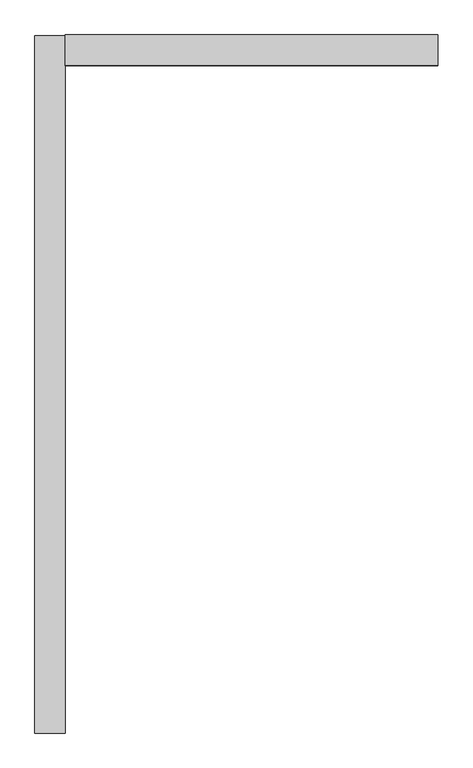
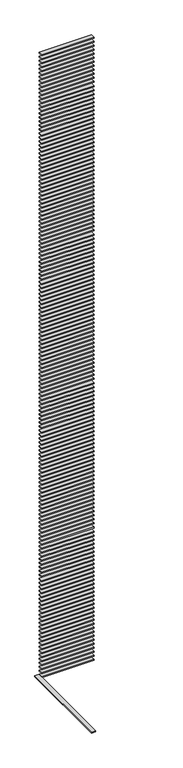
"""IFC4 building model written with IfcOpenShell, lengths in millimetres: proxy geometry."""

import ifcopenshell
import ifcopenshell.guid

model = None  # the IFC model being written
_history = None  # IfcOwnerHistory: only IFC2X3 demands one
_inside = {}  # id of a spatial element -> (the spatial element, [elements in it])
_under = {}  # id of a project, library or spatial element -> (it, [spatial elements below it])
_declared = {}  # id of a project -> (the project, [libraries it declares])
_typed = {}  # id of a type object -> (the type object, [elements of that type])
_made_of = {}  # id of a material, layer set ... -> (it, [elements and type objects made of it])


def new_model(schema):
    """Start an empty IFC model of exactly this schema.

    Asked for "IFC4X3", IfcOpenShell would pick the latest addendum, in which some entities
    have other attributes; the version numbers below select the first issue.
    IFC2X3 requires an IfcOwnerHistory on every rooted entity: one is made here for all.
    """
    global model, _history
    if schema == "IFC4X3":
        model = ifcopenshell.file(schema_version=(4, 3, 0, 0))
    else:
        model = ifcopenshell.file(schema=schema)
    _inside.clear()
    _under.clear()
    _declared.clear()
    _typed.clear()
    _made_of.clear()
    _history = None
    if model.schema == "IFC2X3":
        org = make("IfcOrganization", Name="unknown")
        user = make(
            "IfcPersonAndOrganization",
            ThePerson=make("IfcPerson", FamilyName="unknown"),
            TheOrganization=org,
        )
        app = make(
            "IfcApplication",
            ApplicationDeveloper=org,
            Version="unknown",
            ApplicationFullName="unknown",
            ApplicationIdentifier="unknown",
        )
        _history = make(
            "IfcOwnerHistory",
            OwningUser=user,
            OwningApplication=app,
            ChangeAction="ADDED",
            CreationDate=0,
        )
    return model


def make(cls, **values):
    """One entity of the class cls with the attributes given. An attribute that is None is left unset."""
    return model.create_entity(
        cls, **{name: value for name, value in values.items() if value is not None}
    )


def rooted(cls, **values):
    """An entity with a GlobalId (a new one), such as an element, a storey or a relation."""
    return make(cls, GlobalId=ifcopenshell.guid.new(), OwnerHistory=_history, **values)


def si_unit(unit_type, name, prefix=None):
    """IfcSIUnit, for example si_unit("LENGTHUNIT", "METRE", prefix="MILLI")."""
    return make("IfcSIUnit", UnitType=unit_type, Prefix=prefix, Name=name)


def assignment(units):
    """IfcUnitAssignment: the units of a project."""
    return None if units is None else make("IfcUnitAssignment", Units=units)


def point(xyz):
    """IfcCartesianPoint."""
    return None if xyz is None else make("IfcCartesianPoint", Coordinates=xyz)


def direction(xyz):
    """IfcDirection."""
    return None if xyz is None else make("IfcDirection", DirectionRatios=xyz)


def frame(location, z_axis=None, x_axis=None):
    """IfcAxis2Placement3D, a coordinate frame: its origin and axes. An axis left out is left unset."""
    return make(
        "IfcAxis2Placement3D",
        Location=point(location),
        Axis=direction(z_axis),
        RefDirection=direction(x_axis),
    )


def origin():
    """The frame at (0, 0, 0) with its axes left unset."""
    return frame((0.0, 0.0, 0.0))


def place(relative_to, where):
    """IfcLocalPlacement: puts the frame where relative to a parent placement (None: the world)."""
    return make(
        "IfcLocalPlacement", PlacementRelTo=relative_to, RelativePlacement=where
    )


def context(
    kind, dimensions, precision=None, world=None, true_north=None, identifier=None
):
    """IfcGeometricRepresentationContext, for example the 3D "Model" context."""
    return make(
        "IfcGeometricRepresentationContext",
        ContextIdentifier=identifier,
        ContextType=kind,
        CoordinateSpaceDimension=dimensions,
        Precision=precision,
        WorldCoordinateSystem=world,
        TrueNorth=true_north,
    )


def project(units=None, contexts=None):
    """IfcProject with its units and contexts."""
    return rooted(
        "IfcProject",
        Name="project",
        RepresentationContexts=contexts,
        UnitsInContext=assignment(units),
    )


def spatial(cls, under=None, at=None, **own):
    """A site, building, storey or space (cls), placed at a placement, below another one or the project."""
    s = rooted(cls, ObjectPlacement=at, **own)
    if under is not None:
        _under.setdefault(under.id(), (under, []))[1].append(s)
    return s


def polyline(points):
    """IfcPolyline through the points."""
    return make("IfcPolyline", Points=[point(p) for p in points])


def outline(outer, holes=None, kind="AREA"):
    """IfcArbitraryClosedProfileDef: a profile drawn as a closed curve; with holes, ...WithVoids."""
    if holes is None:
        return make("IfcArbitraryClosedProfileDef", ProfileType=kind, OuterCurve=outer)
    return make(
        "IfcArbitraryProfileDefWithVoids",
        ProfileType=kind,
        OuterCurve=outer,
        InnerCurves=holes,
    )


def extrude(swept, where, along, depth):
    """IfcExtrudedAreaSolid: the profile swept, set in the frame where, extruded along a direction by depth."""
    return make(
        "IfcExtrudedAreaSolid",
        SweptArea=swept,
        Position=where,
        ExtrudedDirection=direction(along),
        Depth=depth,
    )


def shape(context_of_items, identifier, shape_type, items):
    """IfcShapeRepresentation: the items that make up one representation, for example the "Body"."""
    return make(
        "IfcShapeRepresentation",
        ContextOfItems=context_of_items,
        RepresentationIdentifier=identifier,
        RepresentationType=shape_type,
        Items=items,
    )


def source(mapping_origin, context_of_items, identifier, shape_type, items):
    """IfcRepresentationMap: a shape defined once, which mapped items show again and again."""
    return make(
        "IfcRepresentationMap",
        MappingOrigin=mapping_origin,
        MappedRepresentation=shape(context_of_items, identifier, shape_type, items),
    )


def transform(
    local_origin,
    x_axis=None,
    y_axis=None,
    z_axis=None,
    scale=None,
    scale2=None,
    scale3=None,
    uniform=True,
):
    """IfcCartesianTransformationOperator3D, or its non-uniform kind. x_axis, y_axis, z_axis: its Axis1, 2, 3."""
    if uniform:
        return make(
            "IfcCartesianTransformationOperator3D",
            Axis1=direction(x_axis),
            Axis2=direction(y_axis),
            LocalOrigin=point(local_origin),
            Scale=scale,
            Axis3=direction(z_axis),
        )
    return make(
        "IfcCartesianTransformationOperator3DnonUniform",
        Axis1=direction(x_axis),
        Axis2=direction(y_axis),
        LocalOrigin=point(local_origin),
        Scale=scale,
        Axis3=direction(z_axis),
        Scale2=scale2,
        Scale3=scale3,
    )


def mapped(mapping_source, mapping_target):
    """IfcMappedItem: shows the shape of a source again, moved by a transform."""
    return make(
        "IfcMappedItem", MappingSource=mapping_source, MappingTarget=mapping_target
    )


def made_of(thing, what):
    """Note that an element or type object is made of a material, layer set ...; save() writes the relation."""
    if what is not None:
        _made_of.setdefault(what.id(), (what, []))[1].append(thing)
    return thing


def element(
    cls,
    number,
    at=None,
    inside=None,
    cuts=None,
    type_object=None,
    material=None,
    context=None,
    identifier="Body",
    shape_type=None,
    held_by="IfcProductDefinitionShape",
    body=None,
    shapes=None,
    **own,
):
    """One element of the class cls, such as IfcWall. Its Tag is "e" and its number.

    at: its placement. inside: the storey or other place that contains it. cuts: it is an
    opening in that element (IfcRelVoidsElement). A single representation is given by context,
    identifier, shape_type and body (its items); several are given by shapes. held_by: the class
    of the entity that holds the representations. save() writes the other relations.
    """
    e = rooted(cls, Tag="e%d" % number, ObjectPlacement=at, **own)
    if body is not None:
        shapes = [shape(context, identifier, shape_type, body)]
    if shapes is not None:
        e.Representation = make(held_by, Representations=shapes)
    if inside is not None:
        _inside.setdefault(inside.id(), (inside, []))[1].append(e)
    if cuts is not None:
        rooted(
            "IfcRelVoidsElement", RelatingBuildingElement=cuts, RelatedOpeningElement=e
        )
    if type_object is not None:
        _typed.setdefault(type_object.id(), (type_object, []))[1].append(e)
    return made_of(e, material)


def aggregate(whole, parts):
    """IfcRelAggregates: a whole, such as a stair, and the parts it consists of."""
    return rooted("IfcRelAggregates", RelatingObject=whole, RelatedObjects=parts)


def save(model, path):
    """Write the relations noted so far, then the file.

    IfcRelAggregates (storeys below a building ...), IfcRelContainedInSpatialStructure (elements
    in a storey), IfcRelDefinesByType, IfcRelAssociatesMaterial and IfcRelDeclares: one each for
    every whole, place, type object, material and project.
    """
    for whole, parts in _under.values():
        aggregate(whole, parts)
    for where, things in _inside.values():
        rooted(
            "IfcRelContainedInSpatialStructure",
            RelatedElements=things,
            RelatingStructure=where,
        )
    for kind, things in _typed.values():
        rooted("IfcRelDefinesByType", RelatedObjects=things, RelatingType=kind)
    for what, things in _made_of.values():
        rooted("IfcRelAssociatesMaterial", RelatedObjects=things, RelatingMaterial=what)
    for by, libraries in _declared.values():
        rooted("IfcRelDeclares", RelatingContext=by, RelatedDefinitions=libraries)
    model.write(path)


def generic_models_59a60654(model_context):
    return source(origin(), model_context, "Body", "SweptSolid", [
        extrude(outline(polyline([(-100.0, -4625.0), (-300.0, -4625.0), (-300.0, 0.0), (-100.0, 0.0), (-100.0, -4625.0)])), frame((0.0, 0.0, -25.0), z_axis=(0.0, 0.0, 1.0), x_axis=(1.0, 0.0, 0.0)), (0.0, 0.0, 1.0), 50.0),
        extrude(outline(polyline([(-100.0, -200.0), (-100.0, 0.0), (2375.0, 0.0), (2375.0, -200.0), (-100.0, -200.0)])), frame((0.0, 0.0, 30975.0), z_axis=(0.0, 0.0, 1.0), x_axis=(1.0, 0.0, 0.0)), (0.0, 0.0, 1.0), 50.0),
        extrude(outline(polyline([(-100.0, -200.0), (-100.0, 0.0), (2375.0, 0.0), (2375.0, -200.0), (-100.0, -200.0)])), frame((0.0, 0.0, 30775.0), z_axis=(0.0, 0.0, 1.0), x_axis=(1.0, 0.0, 0.0)), (0.0, 0.0, 1.0), 50.0),
        extrude(outline(polyline([(-100.0, -200.0), (-100.0, 0.0), (2375.0, 0.0), (2375.0, -200.0), (-100.0, -200.0)])), frame((0.0, 0.0, 30575.0), z_axis=(0.0, 0.0, 1.0), x_axis=(1.0, 0.0, 0.0)), (0.0, 0.0, 1.0), 50.0),
        extrude(outline(polyline([(-100.0, -200.0), (-100.0, 0.0), (2375.0, 0.0), (2375.0, -200.0), (-100.0, -200.0)])), frame((0.0, 0.0, 30375.0), z_axis=(0.0, 0.0, 1.0), x_axis=(1.0, 0.0, 0.0)), (0.0, 0.0, 1.0), 50.0),
        extrude(outline(polyline([(-100.0, -200.0), (-100.0, 0.0), (2375.0, 0.0), (2375.0, -200.0), (-100.0, -200.0)])), frame((0.0, 0.0, 30175.0), z_axis=(0.0, 0.0, 1.0), x_axis=(1.0, 0.0, 0.0)), (0.0, 0.0, 1.0), 50.0),
        extrude(outline(polyline([(-100.0, -200.0), (-100.0, 0.0), (2375.0, 0.0), (2375.0, -200.0), (-100.0, -200.0)])), frame((0.0, 0.0, 29975.0), z_axis=(0.0, 0.0, 1.0), x_axis=(1.0, 0.0, 0.0)), (0.0, 0.0, 1.0), 50.0),
        extrude(outline(polyline([(-100.0, -200.0), (-100.0, 0.0), (2375.0, 0.0), (2375.0, -200.0), (-100.0, -200.0)])), frame((0.0, 0.0, 29775.0), z_axis=(0.0, 0.0, 1.0), x_axis=(1.0, 0.0, 0.0)), (0.0, 0.0, 1.0), 50.0),
        extrude(outline(polyline([(-100.0, -200.0), (-100.0, 0.0), (2375.0, 0.0), (2375.0, -200.0), (-100.0, -200.0)])), frame((0.0, 0.0, 29575.0), z_axis=(0.0, 0.0, 1.0), x_axis=(1.0, 0.0, 0.0)), (0.0, 0.0, 1.0), 50.0),
        extrude(outline(polyline([(-100.0, -200.0), (-100.0, 0.0), (2375.0, 0.0), (2375.0, -200.0), (-100.0, -200.0)])), frame((0.0, 0.0, 29375.0), z_axis=(0.0, 0.0, 1.0), x_axis=(1.0, 0.0, 0.0)), (0.0, 0.0, 1.0), 50.0),
        extrude(outline(polyline([(-100.0, -200.0), (-100.0, 0.0), (2375.0, 0.0), (2375.0, -200.0), (-100.0, -200.0)])), frame((0.0, 0.0, 29175.0), z_axis=(0.0, 0.0, 1.0), x_axis=(1.0, 0.0, 0.0)), (0.0, 0.0, 1.0), 50.0),
        extrude(outline(polyline([(-100.0, -200.0), (-100.0, 0.0), (2375.0, 0.0), (2375.0, -200.0), (-100.0, -200.0)])), frame((0.0, 0.0, 28975.0), z_axis=(0.0, 0.0, 1.0), x_axis=(1.0, 0.0, 0.0)), (0.0, 0.0, 1.0), 50.0),
        extrude(outline(polyline([(-100.0, -200.0), (-100.0, 0.0), (2375.0, 0.0), (2375.0, -200.0), (-100.0, -200.0)])), frame((0.0, 0.0, 28775.0), z_axis=(0.0, 0.0, 1.0), x_axis=(1.0, 0.0, 0.0)), (0.0, 0.0, 1.0), 50.0),
        extrude(outline(polyline([(-100.0, -200.0), (-100.0, 0.0), (2375.0, 0.0), (2375.0, -200.0), (-100.0, -200.0)])), frame((0.0, 0.0, 28575.0), z_axis=(0.0, 0.0, 1.0), x_axis=(1.0, 0.0, 0.0)), (0.0, 0.0, 1.0), 50.0),
        extrude(outline(polyline([(-100.0, -200.0), (-100.0, 0.0), (2375.0, 0.0), (2375.0, -200.0), (-100.0, -200.0)])), frame((0.0, 0.0, 28375.0), z_axis=(0.0, 0.0, 1.0), x_axis=(1.0, 0.0, 0.0)), (0.0, 0.0, 1.0), 50.0),
        extrude(outline(polyline([(-100.0, -200.0), (-100.0, 0.0), (2375.0, 0.0), (2375.0, -200.0), (-100.0, -200.0)])), frame((0.0, 0.0, 28175.0), z_axis=(0.0, 0.0, 1.0), x_axis=(1.0, 0.0, 0.0)), (0.0, 0.0, 1.0), 50.0),
        extrude(outline(polyline([(-100.0, -200.0), (-100.0, 0.0), (2375.0, 0.0), (2375.0, -200.0), (-100.0, -200.0)])), frame((0.0, 0.0, 27975.0), z_axis=(0.0, 0.0, 1.0), x_axis=(1.0, 0.0, 0.0)), (0.0, 0.0, 1.0), 50.0),
        extrude(outline(polyline([(-100.0, -200.0), (-100.0, 0.0), (2375.0, 0.0), (2375.0, -200.0), (-100.0, -200.0)])), frame((0.0, 0.0, 27775.0), z_axis=(0.0, 0.0, 1.0), x_axis=(1.0, 0.0, 0.0)), (0.0, 0.0, 1.0), 50.0),
        extrude(outline(polyline([(-100.0, -200.0), (-100.0, 0.0), (2375.0, 0.0), (2375.0, -200.0), (-100.0, -200.0)])), frame((0.0, 0.0, 27575.0), z_axis=(0.0, 0.0, 1.0), x_axis=(1.0, 0.0, 0.0)), (0.0, 0.0, 1.0), 50.0),
        extrude(outline(polyline([(-100.0, -200.0), (-100.0, 0.0), (2375.0, 0.0), (2375.0, -200.0), (-100.0, -200.0)])), frame((0.0, 0.0, 27375.0), z_axis=(0.0, 0.0, 1.0), x_axis=(1.0, 0.0, 0.0)), (0.0, 0.0, 1.0), 50.0),
        extrude(outline(polyline([(-100.0, -200.0), (-100.0, 0.0), (2375.0, 0.0), (2375.0, -200.0), (-100.0, -200.0)])), frame((0.0, 0.0, 27175.0), z_axis=(0.0, 0.0, 1.0), x_axis=(1.0, 0.0, 0.0)), (0.0, 0.0, 1.0), 50.0),
        extrude(outline(polyline([(-100.0, -200.0), (-100.0, 0.0), (2375.0, 0.0), (2375.0, -200.0), (-100.0, -200.0)])), frame((0.0, 0.0, 26975.0), z_axis=(0.0, 0.0, 1.0), x_axis=(1.0, 0.0, 0.0)), (0.0, 0.0, 1.0), 50.0),
        extrude(outline(polyline([(-100.0, -200.0), (-100.0, 0.0), (2375.0, 0.0), (2375.0, -200.0), (-100.0, -200.0)])), frame((0.0, 0.0, 26775.0), z_axis=(0.0, 0.0, 1.0), x_axis=(1.0, 0.0, 0.0)), (0.0, 0.0, 1.0), 50.0),
        extrude(outline(polyline([(-100.0, -200.0), (-100.0, 0.0), (2375.0, 0.0), (2375.0, -200.0), (-100.0, -200.0)])), frame((0.0, 0.0, 26575.0), z_axis=(0.0, 0.0, 1.0), x_axis=(1.0, 0.0, 0.0)), (0.0, 0.0, 1.0), 50.0),
        extrude(outline(polyline([(-100.0, -200.0), (-100.0, 0.0), (2375.0, 0.0), (2375.0, -200.0), (-100.0, -200.0)])), frame((0.0, 0.0, 26375.0), z_axis=(0.0, 0.0, 1.0), x_axis=(1.0, 0.0, 0.0)), (0.0, 0.0, 1.0), 50.0),
        extrude(outline(polyline([(-100.0, -200.0), (-100.0, 0.0), (2375.0, 0.0), (2375.0, -200.0), (-100.0, -200.0)])), frame((0.0, 0.0, 26175.0), z_axis=(0.0, 0.0, 1.0), x_axis=(1.0, 0.0, 0.0)), (0.0, 0.0, 1.0), 50.0),
        extrude(outline(polyline([(-100.0, -200.0), (-100.0, 0.0), (2375.0, 0.0), (2375.0, -200.0), (-100.0, -200.0)])), frame((0.0, 0.0, 25975.0), z_axis=(0.0, 0.0, 1.0), x_axis=(1.0, 0.0, 0.0)), (0.0, 0.0, 1.0), 50.0),
        extrude(outline(polyline([(-100.0, -200.0), (-100.0, 0.0), (2375.0, 0.0), (2375.0, -200.0), (-100.0, -200.0)])), frame((0.0, 0.0, 25775.0), z_axis=(0.0, 0.0, 1.0), x_axis=(1.0, 0.0, 0.0)), (0.0, 0.0, 1.0), 50.0),
        extrude(outline(polyline([(-100.0, -200.0), (-100.0, 0.0), (2375.0, 0.0), (2375.0, -200.0), (-100.0, -200.0)])), frame((0.0, 0.0, 25575.0), z_axis=(0.0, 0.0, 1.0), x_axis=(1.0, 0.0, 0.0)), (0.0, 0.0, 1.0), 50.0),
        extrude(outline(polyline([(-100.0, -200.0), (-100.0, 0.0), (2375.0, 0.0), (2375.0, -200.0), (-100.0, -200.0)])), frame((0.0, 0.0, 25375.0), z_axis=(0.0, 0.0, 1.0), x_axis=(1.0, 0.0, 0.0)), (0.0, 0.0, 1.0), 50.0),
        extrude(outline(polyline([(-100.0, -200.0), (-100.0, 0.0), (2375.0, 0.0), (2375.0, -200.0), (-100.0, -200.0)])), frame((0.0, 0.0, 25175.0), z_axis=(0.0, 0.0, 1.0), x_axis=(1.0, 0.0, 0.0)), (0.0, 0.0, 1.0), 50.0),
        extrude(outline(polyline([(-100.0, -200.0), (-100.0, 0.0), (2375.0, 0.0), (2375.0, -200.0), (-100.0, -200.0)])), frame((0.0, 0.0, 24975.0), z_axis=(0.0, 0.0, 1.0), x_axis=(1.0, 0.0, 0.0)), (0.0, 0.0, 1.0), 50.0),
        extrude(outline(polyline([(-100.0, -200.0), (-100.0, 0.0), (2375.0, 0.0), (2375.0, -200.0), (-100.0, -200.0)])), frame((0.0, 0.0, 24775.0), z_axis=(0.0, 0.0, 1.0), x_axis=(1.0, 0.0, 0.0)), (0.0, 0.0, 1.0), 50.0),
        extrude(outline(polyline([(-100.0, -200.0), (-100.0, 0.0), (2375.0, 0.0), (2375.0, -200.0), (-100.0, -200.0)])), frame((0.0, 0.0, 24575.0), z_axis=(0.0, 0.0, 1.0), x_axis=(1.0, 0.0, 0.0)), (0.0, 0.0, 1.0), 50.0),
        extrude(outline(polyline([(-100.0, -200.0), (-100.0, 0.0), (2375.0, 0.0), (2375.0, -200.0), (-100.0, -200.0)])), frame((0.0, 0.0, 24375.0), z_axis=(0.0, 0.0, 1.0), x_axis=(1.0, 0.0, 0.0)), (0.0, 0.0, 1.0), 50.0),
        extrude(outline(polyline([(-100.0, -200.0), (-100.0, 0.0), (2375.0, 0.0), (2375.0, -200.0), (-100.0, -200.0)])), frame((0.0, 0.0, 24175.0), z_axis=(0.0, 0.0, 1.0), x_axis=(1.0, 0.0, 0.0)), (0.0, 0.0, 1.0), 50.0),
        extrude(outline(polyline([(-100.0, -200.0), (-100.0, 0.0), (2375.0, 0.0), (2375.0, -200.0), (-100.0, -200.0)])), frame((0.0, 0.0, 23975.0), z_axis=(0.0, 0.0, 1.0), x_axis=(1.0, 0.0, 0.0)), (0.0, 0.0, 1.0), 50.0),
        extrude(outline(polyline([(-100.0, -200.0), (-100.0, 0.0), (2375.0, 0.0), (2375.0, -200.0), (-100.0, -200.0)])), frame((0.0, 0.0, 23775.0), z_axis=(0.0, 0.0, 1.0), x_axis=(1.0, 0.0, 0.0)), (0.0, 0.0, 1.0), 50.0),
        extrude(outline(polyline([(-100.0, -200.0), (-100.0, 0.0), (2375.0, 0.0), (2375.0, -200.0), (-100.0, -200.0)])), frame((0.0, 0.0, 23575.0), z_axis=(0.0, 0.0, 1.0), x_axis=(1.0, 0.0, 0.0)), (0.0, 0.0, 1.0), 50.0),
        extrude(outline(polyline([(-100.0, -200.0), (-100.0, 0.0), (2375.0, 0.0), (2375.0, -200.0), (-100.0, -200.0)])), frame((0.0, 0.0, 23375.0), z_axis=(0.0, 0.0, 1.0), x_axis=(1.0, 0.0, 0.0)), (0.0, 0.0, 1.0), 50.0),
        extrude(outline(polyline([(-100.0, -200.0), (-100.0, 0.0), (2375.0, 0.0), (2375.0, -200.0), (-100.0, -200.0)])), frame((0.0, 0.0, 23175.0), z_axis=(0.0, 0.0, 1.0), x_axis=(1.0, 0.0, 0.0)), (0.0, 0.0, 1.0), 50.0),
        extrude(outline(polyline([(-100.0, -200.0), (-100.0, 0.0), (2375.0, 0.0), (2375.0, -200.0), (-100.0, -200.0)])), frame((0.0, 0.0, 22975.0), z_axis=(0.0, 0.0, 1.0), x_axis=(1.0, 0.0, 0.0)), (0.0, 0.0, 1.0), 50.0),
        extrude(outline(polyline([(-100.0, -200.0), (-100.0, 0.0), (2375.0, 0.0), (2375.0, -200.0), (-100.0, -200.0)])), frame((0.0, 0.0, 22775.0), z_axis=(0.0, 0.0, 1.0), x_axis=(1.0, 0.0, 0.0)), (0.0, 0.0, 1.0), 50.0),
        extrude(outline(polyline([(-100.0, -200.0), (-100.0, 0.0), (2375.0, 0.0), (2375.0, -200.0), (-100.0, -200.0)])), frame((0.0, 0.0, 22575.0), z_axis=(0.0, 0.0, 1.0), x_axis=(1.0, 0.0, 0.0)), (0.0, 0.0, 1.0), 50.0),
        extrude(outline(polyline([(-100.0, -200.0), (-100.0, 0.0), (2375.0, 0.0), (2375.0, -200.0), (-100.0, -200.0)])), frame((0.0, 0.0, 22375.0), z_axis=(0.0, 0.0, 1.0), x_axis=(1.0, 0.0, 0.0)), (0.0, 0.0, 1.0), 50.0),
        extrude(outline(polyline([(-100.0, -200.0), (-100.0, 0.0), (2375.0, 0.0), (2375.0, -200.0), (-100.0, -200.0)])), frame((0.0, 0.0, 22175.0), z_axis=(0.0, 0.0, 1.0), x_axis=(1.0, 0.0, 0.0)), (0.0, 0.0, 1.0), 50.0),
        extrude(outline(polyline([(-100.0, -200.0), (-100.0, 0.0), (2375.0, 0.0), (2375.0, -200.0), (-100.0, -200.0)])), frame((0.0, 0.0, 21975.0), z_axis=(0.0, 0.0, 1.0), x_axis=(1.0, 0.0, 0.0)), (0.0, 0.0, 1.0), 50.0),
        extrude(outline(polyline([(-100.0, -200.0), (-100.0, 0.0), (2375.0, 0.0), (2375.0, -200.0), (-100.0, -200.0)])), frame((0.0, 0.0, 21775.0), z_axis=(0.0, 0.0, 1.0), x_axis=(1.0, 0.0, 0.0)), (0.0, 0.0, 1.0), 50.0),
        extrude(outline(polyline([(-100.0, -200.0), (-100.0, 0.0), (2375.0, 0.0), (2375.0, -200.0), (-100.0, -200.0)])), frame((0.0, 0.0, 21575.0), z_axis=(0.0, 0.0, 1.0), x_axis=(1.0, 0.0, 0.0)), (0.0, 0.0, 1.0), 50.0),
        extrude(outline(polyline([(-100.0, -200.0), (-100.0, 0.0), (2375.0, 0.0), (2375.0, -200.0), (-100.0, -200.0)])), frame((0.0, 0.0, 21375.0), z_axis=(0.0, 0.0, 1.0), x_axis=(1.0, 0.0, 0.0)), (0.0, 0.0, 1.0), 50.0),
        extrude(outline(polyline([(-100.0, -200.0), (-100.0, 0.0), (2375.0, 0.0), (2375.0, -200.0), (-100.0, -200.0)])), frame((0.0, 0.0, 21175.0), z_axis=(0.0, 0.0, 1.0), x_axis=(1.0, 0.0, 0.0)), (0.0, 0.0, 1.0), 50.0),
        extrude(outline(polyline([(-100.0, -200.0), (-100.0, 0.0), (2375.0, 0.0), (2375.0, -200.0), (-100.0, -200.0)])), frame((0.0, 0.0, 20975.0), z_axis=(0.0, 0.0, 1.0), x_axis=(1.0, 0.0, 0.0)), (0.0, 0.0, 1.0), 50.0),
        extrude(outline(polyline([(-100.0, -200.0), (-100.0, 0.0), (2375.0, 0.0), (2375.0, -200.0), (-100.0, -200.0)])), frame((0.0, 0.0, 20775.0), z_axis=(0.0, 0.0, 1.0), x_axis=(1.0, 0.0, 0.0)), (0.0, 0.0, 1.0), 50.0),
        extrude(outline(polyline([(-100.0, -200.0), (-100.0, 0.0), (2375.0, 0.0), (2375.0, -200.0), (-100.0, -200.0)])), frame((0.0, 0.0, 20575.0), z_axis=(0.0, 0.0, 1.0), x_axis=(1.0, 0.0, 0.0)), (0.0, 0.0, 1.0), 50.0),
        extrude(outline(polyline([(-100.0, -200.0), (-100.0, 0.0), (2375.0, 0.0), (2375.0, -200.0), (-100.0, -200.0)])), frame((0.0, 0.0, 20375.0), z_axis=(0.0, 0.0, 1.0), x_axis=(1.0, 0.0, 0.0)), (0.0, 0.0, 1.0), 50.0),
        extrude(outline(polyline([(-100.0, -200.0), (-100.0, 0.0), (2375.0, 0.0), (2375.0, -200.0), (-100.0, -200.0)])), frame((0.0, 0.0, 20175.0), z_axis=(0.0, 0.0, 1.0), x_axis=(1.0, 0.0, 0.0)), (0.0, 0.0, 1.0), 50.0),
        extrude(outline(polyline([(-100.0, -200.0), (-100.0, 0.0), (2375.0, 0.0), (2375.0, -200.0), (-100.0, -200.0)])), frame((0.0, 0.0, 19975.0), z_axis=(0.0, 0.0, 1.0), x_axis=(1.0, 0.0, 0.0)), (0.0, 0.0, 1.0), 50.0),
        extrude(outline(polyline([(-100.0, -200.0), (-100.0, 0.0), (2375.0, 0.0), (2375.0, -200.0), (-100.0, -200.0)])), frame((0.0, 0.0, 19775.0), z_axis=(0.0, 0.0, 1.0), x_axis=(1.0, 0.0, 0.0)), (0.0, 0.0, 1.0), 50.0),
        extrude(outline(polyline([(-100.0, -200.0), (-100.0, 0.0), (2375.0, 0.0), (2375.0, -200.0), (-100.0, -200.0)])), frame((0.0, 0.0, 19575.0), z_axis=(0.0, 0.0, 1.0), x_axis=(1.0, 0.0, 0.0)), (0.0, 0.0, 1.0), 50.0),
        extrude(outline(polyline([(-100.0, -200.0), (-100.0, 0.0), (2375.0, 0.0), (2375.0, -200.0), (-100.0, -200.0)])), frame((0.0, 0.0, 19375.0), z_axis=(0.0, 0.0, 1.0), x_axis=(1.0, 0.0, 0.0)), (0.0, 0.0, 1.0), 50.0),
        extrude(outline(polyline([(-100.0, -200.0), (-100.0, 0.0), (2375.0, 0.0), (2375.0, -200.0), (-100.0, -200.0)])), frame((0.0, 0.0, 19175.0), z_axis=(0.0, 0.0, 1.0), x_axis=(1.0, 0.0, 0.0)), (0.0, 0.0, 1.0), 50.0),
        extrude(outline(polyline([(-100.0, -200.0), (-100.0, 0.0), (2375.0, 0.0), (2375.0, -200.0), (-100.0, -200.0)])), frame((0.0, 0.0, 18975.0), z_axis=(0.0, 0.0, 1.0), x_axis=(1.0, 0.0, 0.0)), (0.0, 0.0, 1.0), 50.0),
        extrude(outline(polyline([(-100.0, -200.0), (-100.0, 0.0), (2375.0, 0.0), (2375.0, -200.0), (-100.0, -200.0)])), frame((0.0, 0.0, 18775.0), z_axis=(0.0, 0.0, 1.0), x_axis=(1.0, 0.0, 0.0)), (0.0, 0.0, 1.0), 50.0),
        extrude(outline(polyline([(-100.0, -200.0), (-100.0, 0.0), (2375.0, 0.0), (2375.0, -200.0), (-100.0, -200.0)])), frame((0.0, 0.0, 18575.0), z_axis=(0.0, 0.0, 1.0), x_axis=(1.0, 0.0, 0.0)), (0.0, 0.0, 1.0), 50.0),
        extrude(outline(polyline([(-100.0, -200.0), (-100.0, 0.0), (2375.0, 0.0), (2375.0, -200.0), (-100.0, -200.0)])), frame((0.0, 0.0, 18375.0), z_axis=(0.0, 0.0, 1.0), x_axis=(1.0, 0.0, 0.0)), (0.0, 0.0, 1.0), 50.0),
        extrude(outline(polyline([(-100.0, -200.0), (-100.0, 0.0), (2375.0, 0.0), (2375.0, -200.0), (-100.0, -200.0)])), frame((0.0, 0.0, 18175.0), z_axis=(0.0, 0.0, 1.0), x_axis=(1.0, 0.0, 0.0)), (0.0, 0.0, 1.0), 50.0),
        extrude(outline(polyline([(-100.0, -200.0), (-100.0, 0.0), (2375.0, 0.0), (2375.0, -200.0), (-100.0, -200.0)])), frame((0.0, 0.0, 17975.0), z_axis=(0.0, 0.0, 1.0), x_axis=(1.0, 0.0, 0.0)), (0.0, 0.0, 1.0), 50.0),
        extrude(outline(polyline([(-100.0, -200.0), (-100.0, 0.0), (2375.0, 0.0), (2375.0, -200.0), (-100.0, -200.0)])), frame((0.0, 0.0, 17775.0), z_axis=(0.0, 0.0, 1.0), x_axis=(1.0, 0.0, 0.0)), (0.0, 0.0, 1.0), 50.0),
        extrude(outline(polyline([(-100.0, -200.0), (-100.0, 0.0), (2375.0, 0.0), (2375.0, -200.0), (-100.0, -200.0)])), frame((0.0, 0.0, 17575.0), z_axis=(0.0, 0.0, 1.0), x_axis=(1.0, 0.0, 0.0)), (0.0, 0.0, 1.0), 50.0),
        extrude(outline(polyline([(-100.0, -200.0), (-100.0, 0.0), (2375.0, 0.0), (2375.0, -200.0), (-100.0, -200.0)])), frame((0.0, 0.0, 17375.0), z_axis=(0.0, 0.0, 1.0), x_axis=(1.0, 0.0, 0.0)), (0.0, 0.0, 1.0), 50.0),
        extrude(outline(polyline([(-100.0, -200.0), (-100.0, 0.0), (2375.0, 0.0), (2375.0, -200.0), (-100.0, -200.0)])), frame((0.0, 0.0, 17175.0), z_axis=(0.0, 0.0, 1.0), x_axis=(1.0, 0.0, 0.0)), (0.0, 0.0, 1.0), 50.0),
        extrude(outline(polyline([(-100.0, -200.0), (-100.0, 0.0), (2375.0, 0.0), (2375.0, -200.0), (-100.0, -200.0)])), frame((0.0, 0.0, 16975.0), z_axis=(0.0, 0.0, 1.0), x_axis=(1.0, 0.0, 0.0)), (0.0, 0.0, 1.0), 50.0),
        extrude(outline(polyline([(-100.0, -200.0), (-100.0, 0.0), (2375.0, 0.0), (2375.0, -200.0), (-100.0, -200.0)])), frame((0.0, 0.0, 16775.0), z_axis=(0.0, 0.0, 1.0), x_axis=(1.0, 0.0, 0.0)), (0.0, 0.0, 1.0), 50.0),
        extrude(outline(polyline([(-100.0, -200.0), (-100.0, 0.0), (2375.0, 0.0), (2375.0, -200.0), (-100.0, -200.0)])), frame((0.0, 0.0, 16575.0), z_axis=(0.0, 0.0, 1.0), x_axis=(1.0, 0.0, 0.0)), (0.0, 0.0, 1.0), 50.0),
        extrude(outline(polyline([(-100.0, -200.0), (-100.0, 0.0), (2375.0, 0.0), (2375.0, -200.0), (-100.0, -200.0)])), frame((0.0, 0.0, 16375.0), z_axis=(0.0, 0.0, 1.0), x_axis=(1.0, 0.0, 0.0)), (0.0, 0.0, 1.0), 50.0),
        extrude(outline(polyline([(-100.0, -200.0), (-100.0, 0.0), (2375.0, 0.0), (2375.0, -200.0), (-100.0, -200.0)])), frame((0.0, 0.0, 16175.0), z_axis=(0.0, 0.0, 1.0), x_axis=(1.0, 0.0, 0.0)), (0.0, 0.0, 1.0), 50.0),
        extrude(outline(polyline([(-100.0, -200.0), (-100.0, 0.0), (2375.0, 0.0), (2375.0, -200.0), (-100.0, -200.0)])), frame((0.0, 0.0, 15975.0), z_axis=(0.0, 0.0, 1.0), x_axis=(1.0, 0.0, 0.0)), (0.0, 0.0, 1.0), 50.0),
        extrude(outline(polyline([(-100.0, -200.0), (-100.0, 0.0), (2375.0, 0.0), (2375.0, -200.0), (-100.0, -200.0)])), frame((0.0, 0.0, 15775.0), z_axis=(0.0, 0.0, 1.0), x_axis=(1.0, 0.0, 0.0)), (0.0, 0.0, 1.0), 50.0),
        extrude(outline(polyline([(-100.0, -200.0), (-100.0, 0.0), (2375.0, 0.0), (2375.0, -200.0), (-100.0, -200.0)])), frame((0.0, 0.0, 15575.0), z_axis=(0.0, 0.0, 1.0), x_axis=(1.0, 0.0, 0.0)), (0.0, 0.0, 1.0), 50.0),
        extrude(outline(polyline([(-100.0, -200.0), (-100.0, 0.0), (2375.0, 0.0), (2375.0, -200.0), (-100.0, -200.0)])), frame((0.0, 0.0, 15375.0), z_axis=(0.0, 0.0, 1.0), x_axis=(1.0, 0.0, 0.0)), (0.0, 0.0, 1.0), 50.0),
        extrude(outline(polyline([(-100.0, -200.0), (-100.0, 0.0), (2375.0, 0.0), (2375.0, -200.0), (-100.0, -200.0)])), frame((0.0, 0.0, 15175.0), z_axis=(0.0, 0.0, 1.0), x_axis=(1.0, 0.0, 0.0)), (0.0, 0.0, 1.0), 50.0),
        extrude(outline(polyline([(-100.0, -200.0), (-100.0, 0.0), (2375.0, 0.0), (2375.0, -200.0), (-100.0, -200.0)])), frame((0.0, 0.0, 14975.0), z_axis=(0.0, 0.0, 1.0), x_axis=(1.0, 0.0, 0.0)), (0.0, 0.0, 1.0), 50.0),
        extrude(outline(polyline([(-100.0, -200.0), (-100.0, 0.0), (2375.0, 0.0), (2375.0, -200.0), (-100.0, -200.0)])), frame((0.0, 0.0, 14775.0), z_axis=(0.0, 0.0, 1.0), x_axis=(1.0, 0.0, 0.0)), (0.0, 0.0, 1.0), 50.0),
        extrude(outline(polyline([(-100.0, -200.0), (-100.0, 0.0), (2375.0, 0.0), (2375.0, -200.0), (-100.0, -200.0)])), frame((0.0, 0.0, 14575.0), z_axis=(0.0, 0.0, 1.0), x_axis=(1.0, 0.0, 0.0)), (0.0, 0.0, 1.0), 50.0),
        extrude(outline(polyline([(-100.0, -200.0), (-100.0, 0.0), (2375.0, 0.0), (2375.0, -200.0), (-100.0, -200.0)])), frame((0.0, 0.0, 14375.0), z_axis=(0.0, 0.0, 1.0), x_axis=(1.0, 0.0, 0.0)), (0.0, 0.0, 1.0), 50.0),
        extrude(outline(polyline([(-100.0, -200.0), (-100.0, 0.0), (2375.0, 0.0), (2375.0, -200.0), (-100.0, -200.0)])), frame((0.0, 0.0, 14175.0), z_axis=(0.0, 0.0, 1.0), x_axis=(1.0, 0.0, 0.0)), (0.0, 0.0, 1.0), 50.0),
        extrude(outline(polyline([(-100.0, -200.0), (-100.0, 0.0), (2375.0, 0.0), (2375.0, -200.0), (-100.0, -200.0)])), frame((0.0, 0.0, 13975.0), z_axis=(0.0, 0.0, 1.0), x_axis=(1.0, 0.0, 0.0)), (0.0, 0.0, 1.0), 50.0),
        extrude(outline(polyline([(-100.0, -200.0), (-100.0, 0.0), (2375.0, 0.0), (2375.0, -200.0), (-100.0, -200.0)])), frame((0.0, 0.0, 13775.0), z_axis=(0.0, 0.0, 1.0), x_axis=(1.0, 0.0, 0.0)), (0.0, 0.0, 1.0), 50.0),
        extrude(outline(polyline([(-100.0, -200.0), (-100.0, 0.0), (2375.0, 0.0), (2375.0, -200.0), (-100.0, -200.0)])), frame((0.0, 0.0, 13575.0), z_axis=(0.0, 0.0, 1.0), x_axis=(1.0, 0.0, 0.0)), (0.0, 0.0, 1.0), 50.0),
        extrude(outline(polyline([(-100.0, -200.0), (-100.0, 0.0), (2375.0, 0.0), (2375.0, -200.0), (-100.0, -200.0)])), frame((0.0, 0.0, 13375.0), z_axis=(0.0, 0.0, 1.0), x_axis=(1.0, 0.0, 0.0)), (0.0, 0.0, 1.0), 50.0),
        extrude(outline(polyline([(-100.0, -200.0), (-100.0, 0.0), (2375.0, 0.0), (2375.0, -200.0), (-100.0, -200.0)])), frame((0.0, 0.0, 13175.0), z_axis=(0.0, 0.0, 1.0), x_axis=(1.0, 0.0, 0.0)), (0.0, 0.0, 1.0), 50.0),
        extrude(outline(polyline([(-100.0, -200.0), (-100.0, 0.0), (2375.0, 0.0), (2375.0, -200.0), (-100.0, -200.0)])), frame((0.0, 0.0, 12975.0), z_axis=(0.0, 0.0, 1.0), x_axis=(1.0, 0.0, 0.0)), (0.0, 0.0, 1.0), 50.0),
        extrude(outline(polyline([(-100.0, -200.0), (-100.0, 0.0), (2375.0, 0.0), (2375.0, -200.0), (-100.0, -200.0)])), frame((0.0, 0.0, 12775.0), z_axis=(0.0, 0.0, 1.0), x_axis=(1.0, 0.0, 0.0)), (0.0, 0.0, 1.0), 50.0),
        extrude(outline(polyline([(-100.0, -200.0), (-100.0, 0.0), (2375.0, 0.0), (2375.0, -200.0), (-100.0, -200.0)])), frame((0.0, 0.0, 12575.0), z_axis=(0.0, 0.0, 1.0), x_axis=(1.0, 0.0, 0.0)), (0.0, 0.0, 1.0), 50.0),
        extrude(outline(polyline([(-100.0, -200.0), (-100.0, 0.0), (2375.0, 0.0), (2375.0, -200.0), (-100.0, -200.0)])), frame((0.0, 0.0, 12375.0), z_axis=(0.0, 0.0, 1.0), x_axis=(1.0, 0.0, 0.0)), (0.0, 0.0, 1.0), 50.0),
        extrude(outline(polyline([(-100.0, -200.0), (-100.0, 0.0), (2375.0, 0.0), (2375.0, -200.0), (-100.0, -200.0)])), frame((0.0, 0.0, 12175.0), z_axis=(0.0, 0.0, 1.0), x_axis=(1.0, 0.0, 0.0)), (0.0, 0.0, 1.0), 50.0),
        extrude(outline(polyline([(-100.0, -200.0), (-100.0, 0.0), (2375.0, 0.0), (2375.0, -200.0), (-100.0, -200.0)])), frame((0.0, 0.0, 11975.0), z_axis=(0.0, 0.0, 1.0), x_axis=(1.0, 0.0, 0.0)), (0.0, 0.0, 1.0), 50.0),
        extrude(outline(polyline([(-100.0, -200.0), (-100.0, 0.0), (2375.0, 0.0), (2375.0, -200.0), (-100.0, -200.0)])), frame((0.0, 0.0, 11775.0), z_axis=(0.0, 0.0, 1.0), x_axis=(1.0, 0.0, 0.0)), (0.0, 0.0, 1.0), 50.0),
        extrude(outline(polyline([(-100.0, -200.0), (-100.0, 0.0), (2375.0, 0.0), (2375.0, -200.0), (-100.0, -200.0)])), frame((0.0, 0.0, 11575.0), z_axis=(0.0, 0.0, 1.0), x_axis=(1.0, 0.0, 0.0)), (0.0, 0.0, 1.0), 50.0),
        extrude(outline(polyline([(-100.0, -200.0), (-100.0, 0.0), (2375.0, 0.0), (2375.0, -200.0), (-100.0, -200.0)])), frame((0.0, 0.0, 11375.0), z_axis=(0.0, 0.0, 1.0), x_axis=(1.0, 0.0, 0.0)), (0.0, 0.0, 1.0), 50.0),
        extrude(outline(polyline([(-100.0, -200.0), (-100.0, 0.0), (2375.0, 0.0), (2375.0, -200.0), (-100.0, -200.0)])), frame((0.0, 0.0, 11175.0), z_axis=(0.0, 0.0, 1.0), x_axis=(1.0, 0.0, 0.0)), (0.0, 0.0, 1.0), 50.0),
        extrude(outline(polyline([(-100.0, -200.0), (-100.0, 0.0), (2375.0, 0.0), (2375.0, -200.0), (-100.0, -200.0)])), frame((0.0, 0.0, 10975.0), z_axis=(0.0, 0.0, 1.0), x_axis=(1.0, 0.0, 0.0)), (0.0, 0.0, 1.0), 50.0),
        extrude(outline(polyline([(-100.0, -200.0), (-100.0, 0.0), (2375.0, 0.0), (2375.0, -200.0), (-100.0, -200.0)])), frame((0.0, 0.0, 10775.0), z_axis=(0.0, 0.0, 1.0), x_axis=(1.0, 0.0, 0.0)), (0.0, 0.0, 1.0), 50.0),
        extrude(outline(polyline([(-100.0, -200.0), (-100.0, 0.0), (2375.0, 0.0), (2375.0, -200.0), (-100.0, -200.0)])), frame((0.0, 0.0, 10575.0), z_axis=(0.0, 0.0, 1.0), x_axis=(1.0, 0.0, 0.0)), (0.0, 0.0, 1.0), 50.0),
        extrude(outline(polyline([(-100.0, -200.0), (-100.0, 0.0), (2375.0, 0.0), (2375.0, -200.0), (-100.0, -200.0)])), frame((0.0, 0.0, 10375.0), z_axis=(0.0, 0.0, 1.0), x_axis=(1.0, 0.0, 0.0)), (0.0, 0.0, 1.0), 50.0),
        extrude(outline(polyline([(-100.0, -200.0), (-100.0, 0.0), (2375.0, 0.0), (2375.0, -200.0), (-100.0, -200.0)])), frame((0.0, 0.0, 10175.0), z_axis=(0.0, 0.0, 1.0), x_axis=(1.0, 0.0, 0.0)), (0.0, 0.0, 1.0), 50.0),
        extrude(outline(polyline([(-100.0, -200.0), (-100.0, 0.0), (2375.0, 0.0), (2375.0, -200.0), (-100.0, -200.0)])), frame((0.0, 0.0, 9975.0), z_axis=(0.0, 0.0, 1.0), x_axis=(1.0, 0.0, 0.0)), (0.0, 0.0, 1.0), 50.0),
        extrude(outline(polyline([(-100.0, -200.0), (-100.0, 0.0), (2375.0, 0.0), (2375.0, -200.0), (-100.0, -200.0)])), frame((0.0, 0.0, 9775.0), z_axis=(0.0, 0.0, 1.0), x_axis=(1.0, 0.0, 0.0)), (0.0, 0.0, 1.0), 50.0),
        extrude(outline(polyline([(-100.0, -200.0), (-100.0, 0.0), (2375.0, 0.0), (2375.0, -200.0), (-100.0, -200.0)])), frame((0.0, 0.0, 9575.0), z_axis=(0.0, 0.0, 1.0), x_axis=(1.0, 0.0, 0.0)), (0.0, 0.0, 1.0), 50.0),
        extrude(outline(polyline([(-100.0, -200.0), (-100.0, 0.0), (2375.0, 0.0), (2375.0, -200.0), (-100.0, -200.0)])), frame((0.0, 0.0, 9375.0), z_axis=(0.0, 0.0, 1.0), x_axis=(1.0, 0.0, 0.0)), (0.0, 0.0, 1.0), 50.0),
        extrude(outline(polyline([(-100.0, -200.0), (-100.0, 0.0), (2375.0, 0.0), (2375.0, -200.0), (-100.0, -200.0)])), frame((0.0, 0.0, 9175.0), z_axis=(0.0, 0.0, 1.0), x_axis=(1.0, 0.0, 0.0)), (0.0, 0.0, 1.0), 50.0),
        extrude(outline(polyline([(-100.0, -200.0), (-100.0, 0.0), (2375.0, 0.0), (2375.0, -200.0), (-100.0, -200.0)])), frame((0.0, 0.0, 8975.0), z_axis=(0.0, 0.0, 1.0), x_axis=(1.0, 0.0, 0.0)), (0.0, 0.0, 1.0), 50.0),
        extrude(outline(polyline([(-100.0, -200.0), (-100.0, 0.0), (2375.0, 0.0), (2375.0, -200.0), (-100.0, -200.0)])), frame((0.0, 0.0, 8775.0), z_axis=(0.0, 0.0, 1.0), x_axis=(1.0, 0.0, 0.0)), (0.0, 0.0, 1.0), 50.0),
        extrude(outline(polyline([(-100.0, -200.0), (-100.0, 0.0), (2375.0, 0.0), (2375.0, -200.0), (-100.0, -200.0)])), frame((0.0, 0.0, 8575.0), z_axis=(0.0, 0.0, 1.0), x_axis=(1.0, 0.0, 0.0)), (0.0, 0.0, 1.0), 50.0),
        extrude(outline(polyline([(-100.0, -200.0), (-100.0, 0.0), (2375.0, 0.0), (2375.0, -200.0), (-100.0, -200.0)])), frame((0.0, 0.0, 8375.0), z_axis=(0.0, 0.0, 1.0), x_axis=(1.0, 0.0, 0.0)), (0.0, 0.0, 1.0), 50.0),
        extrude(outline(polyline([(-100.0, -200.0), (-100.0, 0.0), (2375.0, 0.0), (2375.0, -200.0), (-100.0, -200.0)])), frame((0.0, 0.0, 8175.0), z_axis=(0.0, 0.0, 1.0), x_axis=(1.0, 0.0, 0.0)), (0.0, 0.0, 1.0), 50.0),
        extrude(outline(polyline([(-100.0, -200.0), (-100.0, 0.0), (2375.0, 0.0), (2375.0, -200.0), (-100.0, -200.0)])), frame((0.0, 0.0, 7975.0), z_axis=(0.0, 0.0, 1.0), x_axis=(1.0, 0.0, 0.0)), (0.0, 0.0, 1.0), 50.0),
        extrude(outline(polyline([(-100.0, -200.0), (-100.0, 0.0), (2375.0, 0.0), (2375.0, -200.0), (-100.0, -200.0)])), frame((0.0, 0.0, 7775.0), z_axis=(0.0, 0.0, 1.0), x_axis=(1.0, 0.0, 0.0)), (0.0, 0.0, 1.0), 50.0),
        extrude(outline(polyline([(-100.0, -200.0), (-100.0, 0.0), (2375.0, 0.0), (2375.0, -200.0), (-100.0, -200.0)])), frame((0.0, 0.0, 7575.0), z_axis=(0.0, 0.0, 1.0), x_axis=(1.0, 0.0, 0.0)), (0.0, 0.0, 1.0), 50.0),
        extrude(outline(polyline([(-100.0, -200.0), (-100.0, 0.0), (2375.0, 0.0), (2375.0, -200.0), (-100.0, -200.0)])), frame((0.0, 0.0, 7375.0), z_axis=(0.0, 0.0, 1.0), x_axis=(1.0, 0.0, 0.0)), (0.0, 0.0, 1.0), 50.0),
        extrude(outline(polyline([(-100.0, -200.0), (-100.0, 0.0), (2375.0, 0.0), (2375.0, -200.0), (-100.0, -200.0)])), frame((0.0, 0.0, 7175.0), z_axis=(0.0, 0.0, 1.0), x_axis=(1.0, 0.0, 0.0)), (0.0, 0.0, 1.0), 50.0),
        extrude(outline(polyline([(-100.0, -200.0), (-100.0, 0.0), (2375.0, 0.0), (2375.0, -200.0), (-100.0, -200.0)])), frame((0.0, 0.0, 6975.0), z_axis=(0.0, 0.0, 1.0), x_axis=(1.0, 0.0, 0.0)), (0.0, 0.0, 1.0), 50.0),
        extrude(outline(polyline([(-100.0, -200.0), (-100.0, 0.0), (2375.0, 0.0), (2375.0, -200.0), (-100.0, -200.0)])), frame((0.0, 0.0, 6775.0), z_axis=(0.0, 0.0, 1.0), x_axis=(1.0, 0.0, 0.0)), (0.0, 0.0, 1.0), 50.0),
        extrude(outline(polyline([(-100.0, -200.0), (-100.0, 0.0), (2375.0, 0.0), (2375.0, -200.0), (-100.0, -200.0)])), frame((0.0, 0.0, 6575.0), z_axis=(0.0, 0.0, 1.0), x_axis=(1.0, 0.0, 0.0)), (0.0, 0.0, 1.0), 50.0),
        extrude(outline(polyline([(-100.0, -200.0), (-100.0, 0.0), (2375.0, 0.0), (2375.0, -200.0), (-100.0, -200.0)])), frame((0.0, 0.0, 6375.0), z_axis=(0.0, 0.0, 1.0), x_axis=(1.0, 0.0, 0.0)), (0.0, 0.0, 1.0), 50.0),
        extrude(outline(polyline([(-100.0, -200.0), (-100.0, 0.0), (2375.0, 0.0), (2375.0, -200.0), (-100.0, -200.0)])), frame((0.0, 0.0, 6175.0), z_axis=(0.0, 0.0, 1.0), x_axis=(1.0, 0.0, 0.0)), (0.0, 0.0, 1.0), 50.0),
        extrude(outline(polyline([(-100.0, -200.0), (-100.0, 0.0), (2375.0, 0.0), (2375.0, -200.0), (-100.0, -200.0)])), frame((0.0, 0.0, 5975.0), z_axis=(0.0, 0.0, 1.0), x_axis=(1.0, 0.0, 0.0)), (0.0, 0.0, 1.0), 50.0),
        extrude(outline(polyline([(-100.0, -200.0), (-100.0, 0.0), (2375.0, 0.0), (2375.0, -200.0), (-100.0, -200.0)])), frame((0.0, 0.0, 5775.0), z_axis=(0.0, 0.0, 1.0), x_axis=(1.0, 0.0, 0.0)), (0.0, 0.0, 1.0), 50.0),
        extrude(outline(polyline([(-100.0, -200.0), (-100.0, 0.0), (2375.0, 0.0), (2375.0, -200.0), (-100.0, -200.0)])), frame((0.0, 0.0, 5575.0), z_axis=(0.0, 0.0, 1.0), x_axis=(1.0, 0.0, 0.0)), (0.0, 0.0, 1.0), 50.0),
        extrude(outline(polyline([(-100.0, -200.0), (-100.0, 0.0), (2375.0, 0.0), (2375.0, -200.0), (-100.0, -200.0)])), frame((0.0, 0.0, 5375.0), z_axis=(0.0, 0.0, 1.0), x_axis=(1.0, 0.0, 0.0)), (0.0, 0.0, 1.0), 50.0),
        extrude(outline(polyline([(-100.0, -200.0), (-100.0, 0.0), (2375.0, 0.0), (2375.0, -200.0), (-100.0, -200.0)])), frame((0.0, 0.0, 5175.0), z_axis=(0.0, 0.0, 1.0), x_axis=(1.0, 0.0, 0.0)), (0.0, 0.0, 1.0), 50.0),
        extrude(outline(polyline([(-100.0, -200.0), (-100.0, 0.0), (2375.0, 0.0), (2375.0, -200.0), (-100.0, -200.0)])), frame((0.0, 0.0, 4975.0), z_axis=(0.0, 0.0, 1.0), x_axis=(1.0, 0.0, 0.0)), (0.0, 0.0, 1.0), 50.0),
        extrude(outline(polyline([(-100.0, -200.0), (-100.0, 0.0), (2375.0, 0.0), (2375.0, -200.0), (-100.0, -200.0)])), frame((0.0, 0.0, 4775.0), z_axis=(0.0, 0.0, 1.0), x_axis=(1.0, 0.0, 0.0)), (0.0, 0.0, 1.0), 50.0),
        extrude(outline(polyline([(-100.0, -200.0), (-100.0, 0.0), (2375.0, 0.0), (2375.0, -200.0), (-100.0, -200.0)])), frame((0.0, 0.0, 4575.0), z_axis=(0.0, 0.0, 1.0), x_axis=(1.0, 0.0, 0.0)), (0.0, 0.0, 1.0), 50.0),
        extrude(outline(polyline([(-100.0, -200.0), (-100.0, 0.0), (2375.0, 0.0), (2375.0, -200.0), (-100.0, -200.0)])), frame((0.0, 0.0, 4375.0), z_axis=(0.0, 0.0, 1.0), x_axis=(1.0, 0.0, 0.0)), (0.0, 0.0, 1.0), 50.0),
        extrude(outline(polyline([(-100.0, -200.0), (-100.0, 0.0), (2375.0, 0.0), (2375.0, -200.0), (-100.0, -200.0)])), frame((0.0, 0.0, 4175.0), z_axis=(0.0, 0.0, 1.0), x_axis=(1.0, 0.0, 0.0)), (0.0, 0.0, 1.0), 50.0),
        extrude(outline(polyline([(-100.0, -200.0), (-100.0, 0.0), (2375.0, 0.0), (2375.0, -200.0), (-100.0, -200.0)])), frame((0.0, 0.0, 3975.0), z_axis=(0.0, 0.0, 1.0), x_axis=(1.0, 0.0, 0.0)), (0.0, 0.0, 1.0), 50.0),
        extrude(outline(polyline([(-100.0, -200.0), (-100.0, 0.0), (2375.0, 0.0), (2375.0, -200.0), (-100.0, -200.0)])), frame((0.0, 0.0, 3775.0), z_axis=(0.0, 0.0, 1.0), x_axis=(1.0, 0.0, 0.0)), (0.0, 0.0, 1.0), 50.0),
        extrude(outline(polyline([(-100.0, -200.0), (-100.0, 0.0), (2375.0, 0.0), (2375.0, -200.0), (-100.0, -200.0)])), frame((0.0, 0.0, 3575.0), z_axis=(0.0, 0.0, 1.0), x_axis=(1.0, 0.0, 0.0)), (0.0, 0.0, 1.0), 50.0),
        extrude(outline(polyline([(-100.0, -200.0), (-100.0, 0.0), (2375.0, 0.0), (2375.0, -200.0), (-100.0, -200.0)])), frame((0.0, 0.0, 3375.0), z_axis=(0.0, 0.0, 1.0), x_axis=(1.0, 0.0, 0.0)), (0.0, 0.0, 1.0), 50.0),
        extrude(outline(polyline([(-100.0, -200.0), (-100.0, 0.0), (2375.0, 0.0), (2375.0, -200.0), (-100.0, -200.0)])), frame((0.0, 0.0, 3175.0), z_axis=(0.0, 0.0, 1.0), x_axis=(1.0, 0.0, 0.0)), (0.0, 0.0, 1.0), 50.0),
        extrude(outline(polyline([(-100.0, -200.0), (-100.0, 0.0), (2375.0, 0.0), (2375.0, -200.0), (-100.0, -200.0)])), frame((0.0, 0.0, 2975.0), z_axis=(0.0, 0.0, 1.0), x_axis=(1.0, 0.0, 0.0)), (0.0, 0.0, 1.0), 50.0),
        extrude(outline(polyline([(-100.0, -200.0), (-100.0, 0.0), (2375.0, 0.0), (2375.0, -200.0), (-100.0, -200.0)])), frame((0.0, 0.0, 2775.0), z_axis=(0.0, 0.0, 1.0), x_axis=(1.0, 0.0, 0.0)), (0.0, 0.0, 1.0), 50.0),
        extrude(outline(polyline([(-100.0, -200.0), (-100.0, 0.0), (2375.0, 0.0), (2375.0, -200.0), (-100.0, -200.0)])), frame((0.0, 0.0, 2575.0), z_axis=(0.0, 0.0, 1.0), x_axis=(1.0, 0.0, 0.0)), (0.0, 0.0, 1.0), 50.0),
        extrude(outline(polyline([(-100.0, -200.0), (-100.0, 0.0), (2375.0, 0.0), (2375.0, -200.0), (-100.0, -200.0)])), frame((0.0, 0.0, 2375.0), z_axis=(0.0, 0.0, 1.0), x_axis=(1.0, 0.0, 0.0)), (0.0, 0.0, 1.0), 50.0),
        extrude(outline(polyline([(-100.0, -200.0), (-100.0, 0.0), (2375.0, 0.0), (2375.0, -200.0), (-100.0, -200.0)])), frame((0.0, 0.0, 2175.0), z_axis=(0.0, 0.0, 1.0), x_axis=(1.0, 0.0, 0.0)), (0.0, 0.0, 1.0), 50.0),
        extrude(outline(polyline([(-100.0, -200.0), (-100.0, 0.0), (2375.0, 0.0), (2375.0, -200.0), (-100.0, -200.0)])), frame((0.0, 0.0, 1975.0), z_axis=(0.0, 0.0, 1.0), x_axis=(1.0, 0.0, 0.0)), (0.0, 0.0, 1.0), 50.0),
        extrude(outline(polyline([(-100.0, -200.0), (-100.0, 0.0), (2375.0, 0.0), (2375.0, -200.0), (-100.0, -200.0)])), frame((0.0, 0.0, 1775.0), z_axis=(0.0, 0.0, 1.0), x_axis=(1.0, 0.0, 0.0)), (0.0, 0.0, 1.0), 50.0),
        extrude(outline(polyline([(-100.0, -200.0), (-100.0, 0.0), (2375.0, 0.0), (2375.0, -200.0), (-100.0, -200.0)])), frame((0.0, 0.0, 1575.0), z_axis=(0.0, 0.0, 1.0), x_axis=(1.0, 0.0, 0.0)), (0.0, 0.0, 1.0), 50.0),
        extrude(outline(polyline([(-100.0, -200.0), (-100.0, 0.0), (2375.0, 0.0), (2375.0, -200.0), (-100.0, -200.0)])), frame((0.0, 0.0, 1375.0), z_axis=(0.0, 0.0, 1.0), x_axis=(1.0, 0.0, 0.0)), (0.0, 0.0, 1.0), 50.0),
        extrude(outline(polyline([(-100.0, -200.0), (-100.0, 0.0), (2375.0, 0.0), (2375.0, -200.0), (-100.0, -200.0)])), frame((0.0, 0.0, 1175.0), z_axis=(0.0, 0.0, 1.0), x_axis=(1.0, 0.0, 0.0)), (0.0, 0.0, 1.0), 50.0),
        extrude(outline(polyline([(-100.0, -200.0), (-100.0, 0.0), (2375.0, 0.0), (2375.0, -200.0), (-100.0, -200.0)])), frame((0.0, 0.0, 975.0), z_axis=(0.0, 0.0, 1.0), x_axis=(1.0, 0.0, 0.0)), (0.0, 0.0, 1.0), 50.0),
        extrude(outline(polyline([(-100.0, -200.0), (-100.0, 0.0), (2375.0, 0.0), (2375.0, -200.0), (-100.0, -200.0)])), frame((0.0, 0.0, 775.0), z_axis=(0.0, 0.0, 1.0), x_axis=(1.0, 0.0, 0.0)), (0.0, 0.0, 1.0), 50.0),
        extrude(outline(polyline([(-100.0, -200.0), (-100.0, 0.0), (2375.0, 0.0), (2375.0, -200.0), (-100.0, -200.0)])), frame((0.0, 0.0, 575.0), z_axis=(0.0, 0.0, 1.0), x_axis=(1.0, 0.0, 0.0)), (0.0, 0.0, 1.0), 50.0),
        extrude(outline(polyline([(-100.0, -200.0), (-100.0, 0.0), (2375.0, 0.0), (2375.0, -200.0), (-100.0, -200.0)])), frame((0.0, 0.0, 375.0), z_axis=(0.0, 0.0, 1.0), x_axis=(1.0, 0.0, 0.0)), (0.0, 0.0, 1.0), 50.0),
        extrude(outline(polyline([(-100.0, -200.0), (-100.0, 0.0), (2375.0, 0.0), (2375.0, -200.0), (-100.0, -200.0)])), frame((0.0, 0.0, 175.0), z_axis=(0.0, 0.0, 1.0), x_axis=(1.0, 0.0, 0.0)), (0.0, 0.0, 1.0), 50.0),
        extrude(outline(polyline([(-100.0, -200.0), (-100.0, 0.0), (2375.0, 0.0), (2375.0, -200.0), (-100.0, -200.0)])), frame((0.0, 0.0, -25.0), z_axis=(0.0, 0.0, 1.0), x_axis=(1.0, 0.0, 0.0)), (0.0, 0.0, 1.0), 50.0),
    ])


if __name__ == "__main__":
    model = new_model("IFC4")
    model_context = context("Model", 3, world=origin())
    ifc_project = project(units=[si_unit("LENGTHUNIT", "METRE", prefix="MILLI")], contexts=[model_context])
    site = spatial("IfcSite", under=ifc_project)
    building = spatial("IfcBuilding", under=site)
    placement = place(None, origin())
    generic_models_shape = generic_models_59a60654(model_context)
    element("IfcBuildingElementProxy", 1, Name="Generic Models", at=placement, inside=building, context=model_context, shape_type="MappedRepresentation", body=[
        mapped(generic_models_shape, transform((0.0, 0.0, 0.0), x_axis=(1.0, 0.0, 0.0), y_axis=(0.0, 1.0, 0.0), z_axis=(0.0, 0.0, 1.0))),
    ])
    save(model, "model.ifc")
